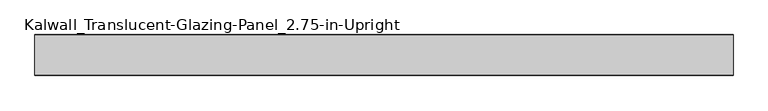
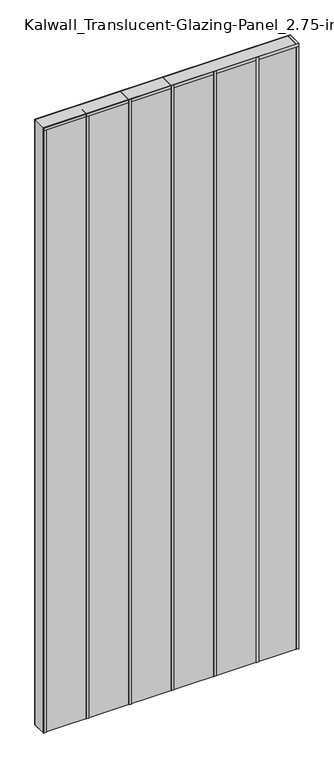
"""IFC4 building model written with IfcOpenShell, lengths in millimetres: plate geometry, Kalwall_Translucent-Glazing-Panel_2.75-in-Upright."""

from ifc_helpers import new_model, si_unit, frame, origin, origin_with_axes, place, context, project, spatial, polyline, outline, extrude, source, transform, mapped, element, save


def kalwall_translucent_glazing_panel_2_75_in_upright_6b3d0420(model_context):
    return source(origin(), model_context, "Body", "SweptSolid", [
        extrude(outline(polyline([(609.6, 34.925), (609.6, -34.925), (-609.6, -34.925), (-609.6, 34.925), (609.6, 34.925)])), origin_with_axes(), (0.0, 0.0, 1.0), 3054.35),
        extrude(outline(polyline([(419.1, 35.71875), (419.1, -35.71875), (406.4, -35.71875), (406.4, 35.71875), (419.1, 35.71875)])), origin_with_axes(), (0.0, 0.0, 1.0), 3054.35),
        extrude(outline(polyline([(215.9, 35.71875), (215.9, -35.71875), (203.2, -35.71875), (203.2, 35.71875), (215.9, 35.71875)])), origin_with_axes(), (0.0, 0.0, 1.0), 3054.35),
        extrude(outline(polyline([(12.7, 35.71875), (12.7, -35.71875), (0.0, -35.71875), (0.0, 35.71875), (12.7, 35.71875)])), origin_with_axes(), (0.0, 0.0, 1.0), 3054.35),
        extrude(outline(polyline([(-190.5, 35.71875), (-190.5, -35.71875), (-203.2, -35.71875), (-203.2, 35.71875), (-190.5, 35.71875)])), origin_with_axes(), (0.0, 0.0, 1.0), 3054.35),
        extrude(outline(polyline([(609.6, 35.71875), (609.6, -35.71875), (-609.6, -35.71875), (-609.6, 35.71875), (609.6, 35.71875)])), frame((0.0, 0.0, 3041.65), z_axis=(0.0, 0.0, 1.0), x_axis=(1.0, 0.0, 0.0)), (0.0, 0.0, 1.0), 12.7),
        extrude(outline(polyline([(-393.7, 35.71875), (-393.7, -35.71875), (-406.4, -35.71875), (-406.4, 35.71875), (-393.7, 35.71875)])), origin_with_axes(), (0.0, 0.0, 1.0), 3054.35),
        extrude(outline(polyline([(609.6, 35.71875), (609.6, -35.71875), (596.9, -35.71875), (596.9, 35.71875), (609.6, 35.71875)])), origin_with_axes(), (0.0, 0.0, 1.0), 3054.35),
        extrude(outline(polyline([(-596.9, 35.71875), (-596.9, -35.71875), (-609.6, -35.71875), (-609.6, 35.71875), (-596.9, 35.71875)])), origin_with_axes(), (0.0, 0.0, 1.0), 3054.35),
    ])


if __name__ == "__main__":
    model = new_model("IFC4")
    model_context = context("Model", 3, world=origin())
    ifc_project = project(units=[si_unit("LENGTHUNIT", "METRE", prefix="MILLI")], contexts=[model_context])
    site = spatial("IfcSite", under=ifc_project)
    building = spatial("IfcBuilding", under=site)
    placement = place(None, origin())
    kalwall_translucent_glazing_panel_2_75_in_upright_shape = kalwall_translucent_glazing_panel_2_75_in_upright_6b3d0420(model_context)
    element("IfcPlate", 1, ObjectType="Kalwall_Translucent-Glazing-Panel_2.75-in-Upright", at=placement, inside=building, context=model_context, shape_type="MappedRepresentation", body=[
        mapped(kalwall_translucent_glazing_panel_2_75_in_upright_shape, transform((0.0, 0.0, 0.0), x_axis=(1.0, 0.0, 0.0), y_axis=(0.0, 1.0, 0.0), z_axis=(0.0, 0.0, 1.0))),
    ])
    save(model, "model.ifc")
